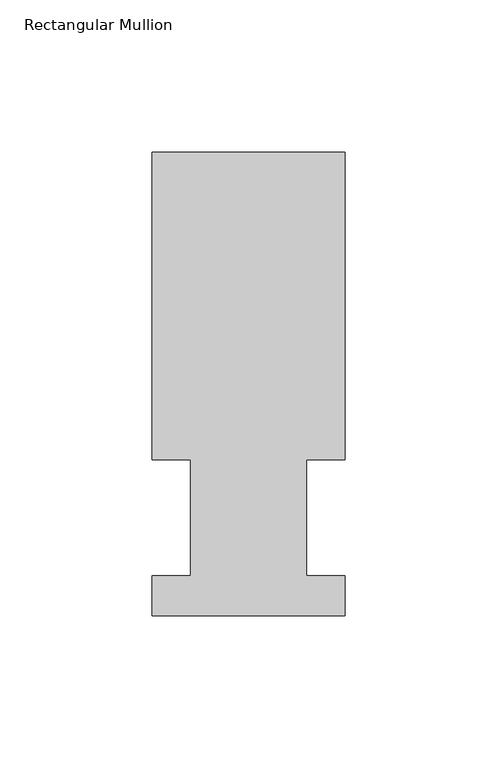
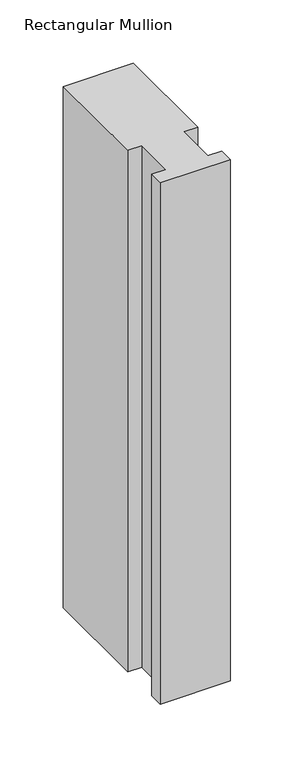
"""IFC4 building model written with IfcOpenShell, lengths in millimetres: member geometry, Rectangular Mullion."""

from ifc_helpers import new_model, si_unit, frame, origin, place, context, project, spatial, polyline, outline, extrude, source, transform, mapped, element, save


def rectangular_mullion_0053548f(model_context):
    return source(origin(), model_context, "Body", "SweptSolid", [
        extrude(outline(polyline([(-63.5, 152.4896937), (0.0127, 152.4896937), (0.0127, 51.2960937), (-12.6873, 51.2960938), (-12.6873, 13.1960937), (0.0, 13.1960937), (0.0, 0.0134937), (-63.5, 0.0134937), (-63.5, 13.1960937), (-50.8000001, 13.1960937), (-50.8000001, 51.2960937), (-63.5, 51.2960937), (-63.5, 152.4896937)])), frame((0.0, 0.0, -501.6634937), z_axis=(0.0, 0.0, 1.0), x_axis=(1.0, 0.0, 0.0)), (0.0, 0.0, 1.0), 501.6634937),
    ])


if __name__ == "__main__":
    model = new_model("IFC4")
    model_context = context("Model", 3, world=origin())
    ifc_project = project(units=[si_unit("LENGTHUNIT", "METRE", prefix="MILLI")], contexts=[model_context])
    site = spatial("IfcSite", under=ifc_project)
    building = spatial("IfcBuilding", under=site)
    placement = place(None, origin())
    rectangular_mullion_shape = rectangular_mullion_0053548f(model_context)
    element("IfcMember", 1, ObjectType="Rectangular Mullion", at=placement, inside=building, context=model_context, shape_type="MappedRepresentation", body=[
        mapped(rectangular_mullion_shape, transform((0.0, 0.0, 0.0), x_axis=(1.0, 0.0, 0.0), y_axis=(0.0, 1.0, 0.0), z_axis=(0.0, 0.0, 1.0))),
    ])
    save(model, "model.ifc")
